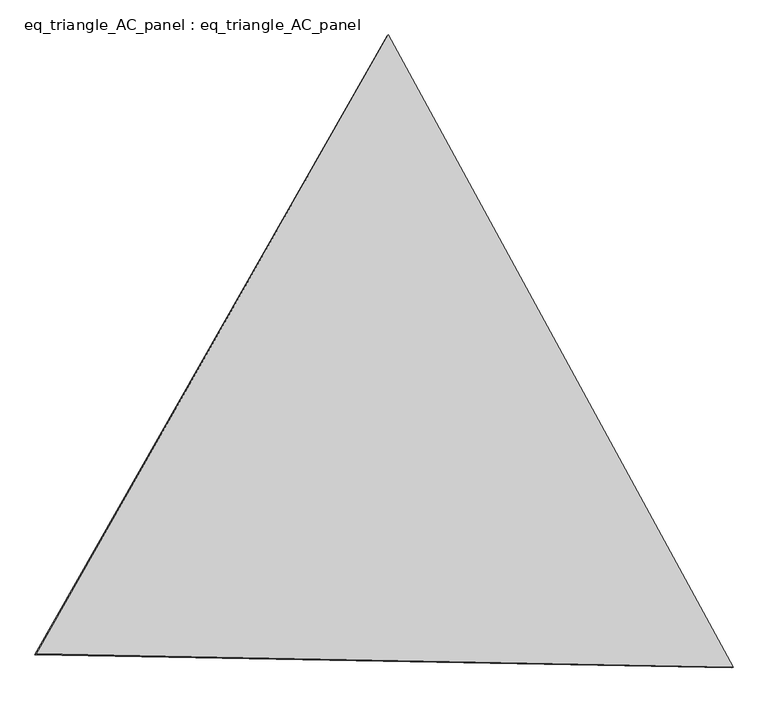
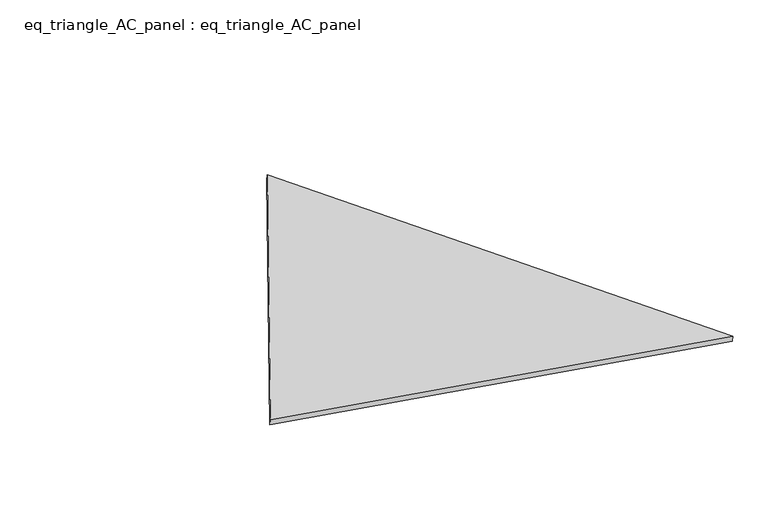
"""IFC4 building model written with IfcOpenShell, lengths in millimetres: proxy geometry, eq_triangle_AC_panel : eq_triangle_AC_panel."""

from ifc_helpers import new_model, si_unit, frame, origin, place, context, project, spatial, polyline, outline, extrude, source, transform, mapped, element, save


def eq_triangle_ac_panel_eq_triangle_ac_panel_519a07cb(model_context):
    return source(origin(), model_context, "Body", "SweptSolid", [
        extrude(outline(polyline([(-2091.2842303, 1173.1700195), (2032.8306628, 1173.1700196), (58.4535673, -2346.3400391), (-2091.2842303, 1173.1700195)])), frame((0.0038051, 527.9290861, 89.8240019), z_axis=(0.1452632851806074, 0.08386570281802123, 0.9858321976225858), x_axis=(0.47858499779975683, -0.8780313029551309, 0.004175034361764922)), (0.0, 0.0, 1.0), 43.8306294),
    ])


if __name__ == "__main__":
    model = new_model("IFC4")
    model_context = context("Model", 3, world=origin())
    ifc_project = project(units=[si_unit("LENGTHUNIT", "METRE", prefix="MILLI")], contexts=[model_context])
    site = spatial("IfcSite", under=ifc_project)
    building = spatial("IfcBuilding", under=site)
    placement = place(None, origin())
    eq_triangle_ac_panel_eq_triangle_ac_panel_shape = eq_triangle_ac_panel_eq_triangle_ac_panel_519a07cb(model_context)
    element("IfcBuildingElementProxy", 1, Name="eq_triangle_AC_panel : eq_triangle_AC_panel", ObjectType="eq_triangle_AC_panel : eq_triangle_AC_panel", at=placement, inside=building, context=model_context, shape_type="MappedRepresentation", body=[
        mapped(eq_triangle_ac_panel_eq_triangle_ac_panel_shape, transform((0.0, 0.0, 0.0), x_axis=(1.0, 0.0, 0.0), y_axis=(0.0, 1.0, 0.0), z_axis=(0.0, 0.0, 1.0))),
    ])
    save(model, "model.ifc")
